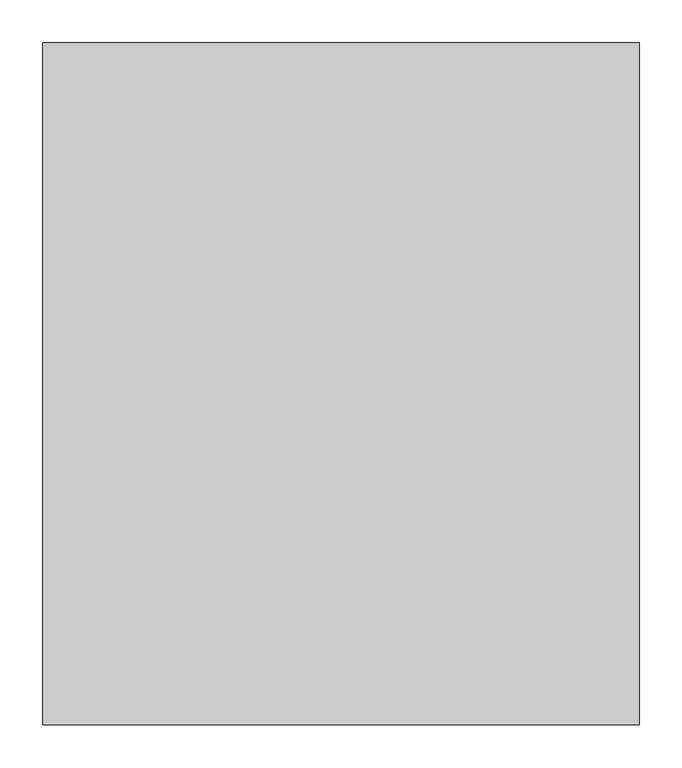
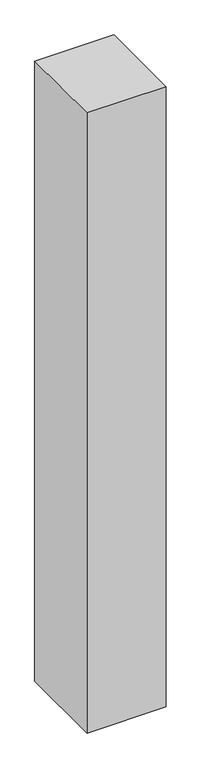
"""IFC4 building model written with IfcOpenShell, lengths in millimetres: proxy geometry."""

from ifc_helpers import new_model, si_unit, origin, origin_with_axes, place, context, project, spatial, polyline, outline, extrude, source, transform, mapped, element, save


def generic_models_9b5c8de4(model_context):
    return source(origin(), model_context, "Body", "SweptSolid", [
        extrude(outline(polyline([(700.0, -800.0), (0.0, -800.0), (0.0, 0.0), (700.0, 0.0), (700.0, -800.0)])), origin_with_axes(), (0.0, 0.0, 1.0), 5800.0),
    ])


if __name__ == "__main__":
    model = new_model("IFC4")
    model_context = context("Model", 3, world=origin())
    ifc_project = project(units=[si_unit("LENGTHUNIT", "METRE", prefix="MILLI")], contexts=[model_context])
    site = spatial("IfcSite", under=ifc_project)
    building = spatial("IfcBuilding", under=site)
    placement = place(None, origin())
    generic_models_shape = generic_models_9b5c8de4(model_context)
    element("IfcBuildingElementProxy", 1, Name="Generic Models", at=placement, inside=building, context=model_context, shape_type="MappedRepresentation", body=[
        mapped(generic_models_shape, transform((0.0, 0.0, 0.0), x_axis=(1.0, 0.0, 0.0), y_axis=(0.0, 1.0, 0.0), z_axis=(0.0, 0.0, 1.0))),
    ])
    save(model, "model.ifc")
